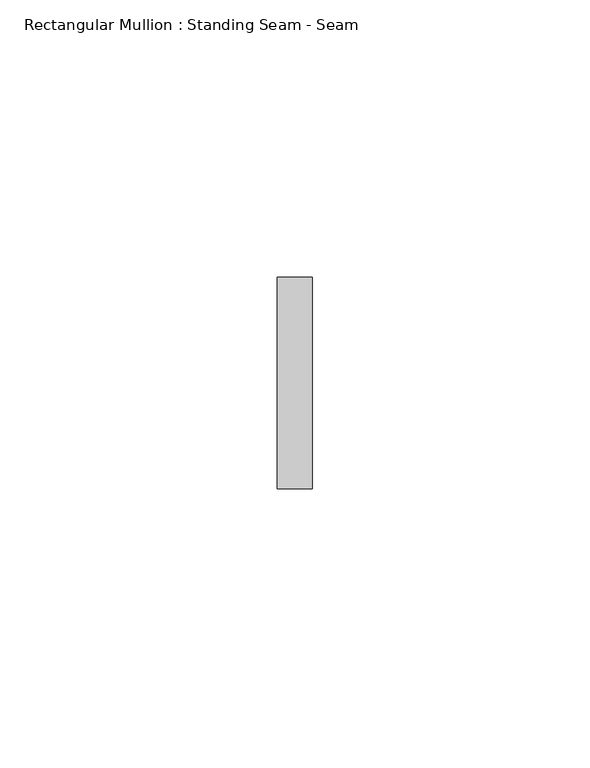
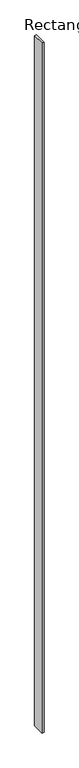
"""IFC4 building model written with IfcOpenShell, lengths in millimetres: member geometry, Rectangular Mullion : Standing Seam - Seam."""

from ifc_helpers import new_model, si_unit, frame, origin, place, context, project, spatial, polyline, outline, extrude, source, transform, mapped, element, save


def rectangular_mullion_standing_seam_seam_4a2582e1(model_context):
    return source(origin(), model_context, "Body", "SweptSolid", [
        extrude(outline(polyline([(3.175, 41.275), (3.175, 3.175), (-3.175, 3.175), (-3.175, 41.275), (3.175, 41.275)])), frame((0.0, 0.0, -2237.1947876), z_axis=(0.0, 0.0, 1.0), x_axis=(1.0, 0.0, 0.0)), (0.0, 0.0, 1.0), 2237.1947876),
    ])


if __name__ == "__main__":
    model = new_model("IFC4")
    model_context = context("Model", 3, world=origin())
    ifc_project = project(units=[si_unit("LENGTHUNIT", "METRE", prefix="MILLI")], contexts=[model_context])
    site = spatial("IfcSite", under=ifc_project)
    building = spatial("IfcBuilding", under=site)
    placement = place(None, origin())
    rectangular_mullion_standing_seam_seam_shape = rectangular_mullion_standing_seam_seam_4a2582e1(model_context)
    element("IfcMember", 1, ObjectType="Rectangular Mullion : Standing Seam - Seam", at=placement, inside=building, context=model_context, shape_type="MappedRepresentation", body=[
        mapped(rectangular_mullion_standing_seam_seam_shape, transform((0.0, 0.0, 0.0), x_axis=(1.0, 0.0, 0.0), y_axis=(0.0, 1.0, 0.0), z_axis=(0.0, 0.0, 1.0))),
    ])
    save(model, "model.ifc")
